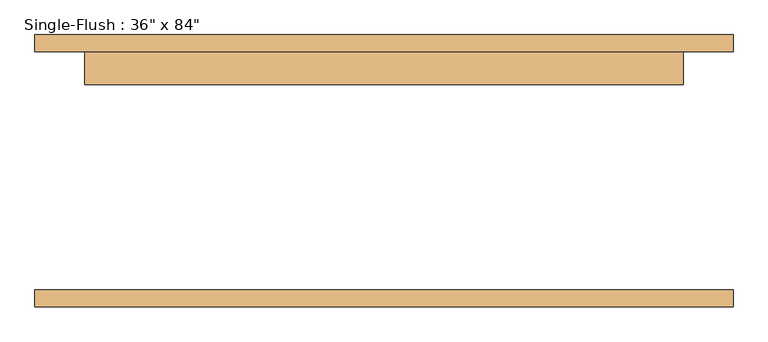
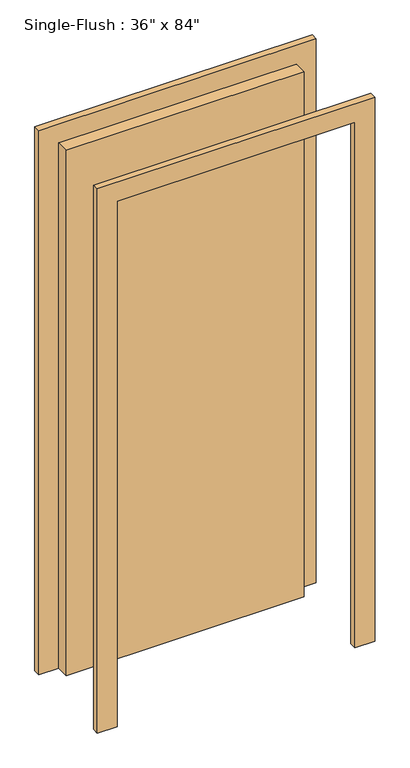
"""IFC4 building model written with IfcOpenShell, lengths in millimetres: door geometry."""

from ifc_helpers import new_model, si_unit, frame, origin, origin_with_axes, place, context, project, spatial, polyline, outline, extrude, source, transform, mapped, element, save


def door_9be82064(model_context):
    return source(origin(), model_context, "Body", "SweptSolid", [
        extrude(outline(polyline([(2209.8, -533.4), (0.0, -533.4), (0.0, -457.2), (2133.6, -457.2), (2133.6, 457.2), (0.0, 457.2), (0.0, 533.4), (2209.8, 533.4), (2209.8, -533.4)])), frame((0.0, 182.5625, 0.0), z_axis=(0.0, 1.0, 0.0), x_axis=(0.0, 0.0, 1.0)), (0.0, 0.0, 1.0), 25.4),
        extrude(outline(polyline([(2209.8, 533.4), (2209.8, -533.4), (0.0, -533.4), (0.0, -457.2), (2133.6, -457.2), (2133.6, 457.2), (0.0, 457.2), (0.0, 533.4), (2209.8, 533.4)])), frame((0.0, -207.9625, 0.0), z_axis=(0.0, 1.0, 0.0), x_axis=(0.0, 0.0, 1.0)), (0.0, 0.0, 1.0), 25.4),
        extrude(outline(polyline([(457.2, 131.7625), (-457.2, 131.7625), (-457.2, 182.5625), (457.2, 182.5625), (457.2, 131.7625)])), origin_with_axes(), (0.0, 0.0, 1.0), 2133.6),
    ])


if __name__ == "__main__":
    model = new_model("IFC4")
    model_context = context("Model", 3, world=origin())
    ifc_project = project(units=[si_unit("LENGTHUNIT", "METRE", prefix="MILLI")], contexts=[model_context])
    site = spatial("IfcSite", under=ifc_project)
    building = spatial("IfcBuilding", under=site)
    placement = place(None, origin())
    door_shape = door_9be82064(model_context)
    element("IfcDoor", 1, ObjectType="Single-Flush : 36\" x 84\"", at=placement, inside=building, context=model_context, shape_type="MappedRepresentation", body=[
        mapped(door_shape, transform((0.0, 0.0, 0.0), x_axis=(1.0, 0.0, 0.0), y_axis=(0.0, 1.0, 0.0), z_axis=(0.0, 0.0, 1.0))),
    ])
    save(model, "model.ifc")
